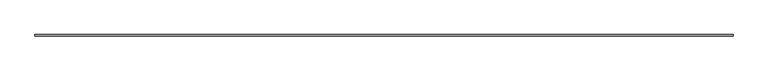
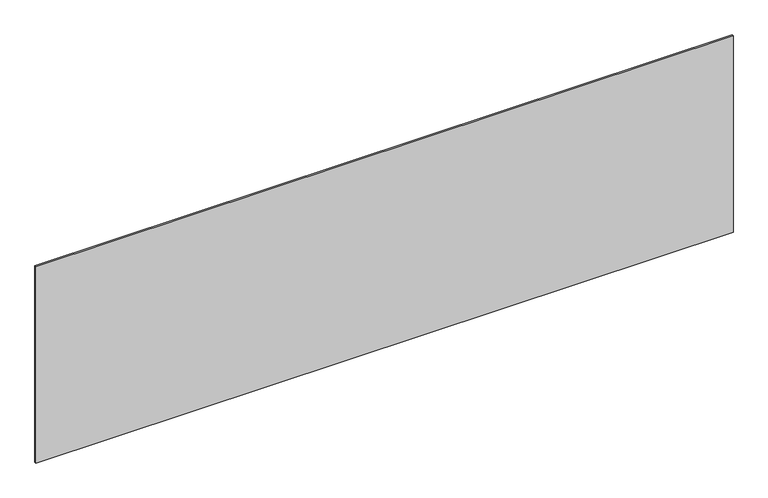
"""IFC4 building model written with IfcOpenShell, lengths in millimetres: plate geometry."""

from ifc_helpers import new_model, si_unit, origin, origin_with_axes, place, context, project, spatial, polyline, outline, extrude, source, transform, mapped, element, save


def plate_481d3e0c(model_context):
    return source(origin(), model_context, "Body", "SweptSolid", [
        extrude(outline(polyline([(2206.6666667, -5.0), (-2206.6666667, -5.0), (-2206.6666667, 5.0), (2206.6666667, 5.0), (2206.6666667, -5.0)])), origin_with_axes(), (0.0, 0.0, 1.0), 1313.9400382),
    ])


if __name__ == "__main__":
    model = new_model("IFC4")
    model_context = context("Model", 3, world=origin())
    ifc_project = project(units=[si_unit("LENGTHUNIT", "METRE", prefix="MILLI")], contexts=[model_context])
    site = spatial("IfcSite", under=ifc_project)
    building = spatial("IfcBuilding", under=site)
    placement = place(None, origin())
    plate_shape = plate_481d3e0c(model_context)
    element("IfcPlate", 1, at=placement, inside=building, context=model_context, shape_type="MappedRepresentation", body=[
        mapped(plate_shape, transform((0.0, 0.0, 0.0), x_axis=(1.0, 0.0, 0.0), y_axis=(0.0, 1.0, 0.0), z_axis=(0.0, 0.0, 1.0))),
    ])
    save(model, "model.ifc")
